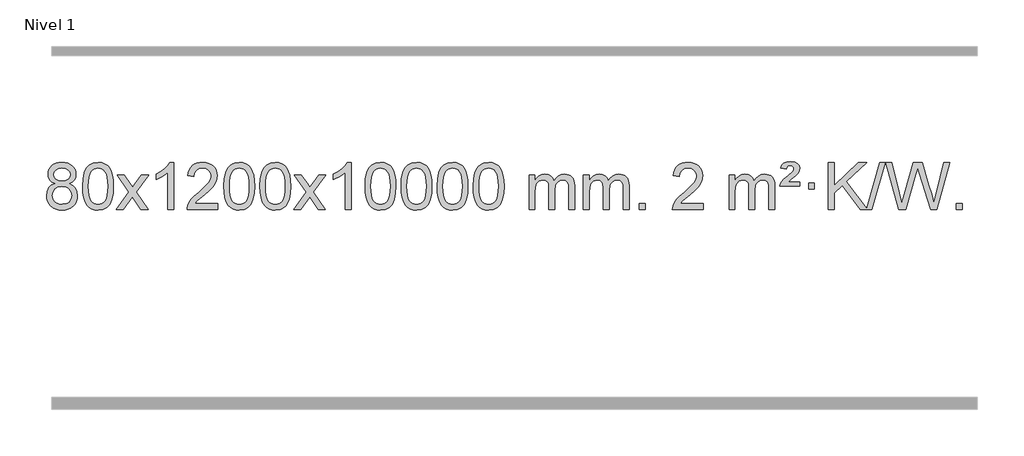
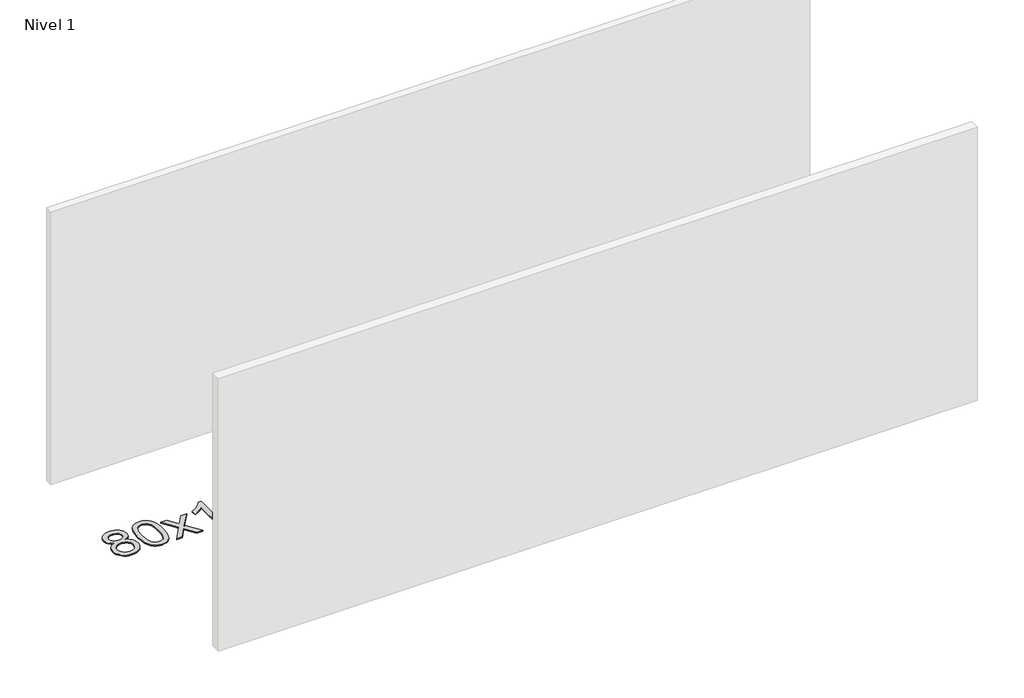
# One storey, part 5 of 5: 1 proxy.
"""IFC4 building model written with IfcOpenShell, lengths in millimetres."""

from ifc_helpers import new_model, si_unit, origin, origin_with_axes, place, context, project, spatial, polyline, outline, extrude, element, save

model = new_model("IFC4")

# Units and contexts
model_context = context("Model", 3, world=origin())
ifc_project = project(units=[si_unit("LENGTHUNIT", "METRE", prefix="MILLI")], contexts=[model_context])

# Site, building, storey
site = spatial("IfcSite", under=ifc_project)
building = spatial("IfcBuilding", under=site)
storey = spatial("IfcBuildingStorey", under=building, Name="Nivel 1", Elevation=0.0)

# Proxy
placement = place(None, origin())
element("IfcBuildingElementProxy", 1, Name="Texto de modelo 1", ObjectType="Texto de modelo 1", at=placement, inside=storey, context=model_context, shape_type="SweptSolid", body=[
    extrude(outline(polyline([(-204.5042266, 2829.7383553), (-231.3964004, 2842.9821071), (-250.2687468, 2860.9347485), (-261.4155712, 2883.2283974), (-265.1311794, 2909.4951719), (-263.1078284, 2929.9800676), (-257.0377755, 2948.7604435), (-246.9210206, 2965.8362994), (-232.7575638, 2981.2076355), (-215.2279867, 2993.911827), (-195.0128711, 3002.9862496), (-172.1122169, 3008.4309031), (-146.5260241, 3010.2457876), (-120.817204, 3008.3879835), (-97.7448716, 3002.8145713), (-77.3090268, 2993.5255509), (-59.5096696, 2980.5209224), (-45.0886953, 2964.8491494), (-34.7879995, 2947.5586956), (-28.607582, 2928.6495611), (-26.5474428, 2908.1217457), (-30.214, 2882.7010999), (-41.2136717, 2860.7875957), (-59.6690851, 2842.9453189), (-85.7028676, 2829.7383553), (-54.7885173, 2813.8090649), (-32.2864019, 2790.3504564), (-18.5644035, 2760.4907011), (-13.990404, 2725.3579705), (-16.2590097, 2700.3052067), (-23.0648266, 2677.3371074), (-34.4078547, 2656.4536728), (-50.2880942, 2637.6549029), (-69.8716791, 2622.11802), (-92.3247435, 2611.0202464), (-117.6472875, 2604.3615823), (-145.8393111, 2602.1420276), (-174.0313347, 2604.3707794), (-199.3538787, 2611.0570346), (-221.8069431, 2622.2007934), (-241.390528, 2637.8020557), (-257.2707674, 2656.73265), (-268.6137956, 2677.864405), (-275.4196125, 2701.1973205), (-277.6882182, 2726.7313967), (-272.9302777, 2763.2252906), (-258.6564563, 2793.2444614), (-235.6025179, 2815.7588395), (-204.5042266, 2829.7383553)]), holes=[polyline([(-214.9030243, 2908.0236439), (-210.4516522, 2886.097877), (-197.0975357, 2868.586694), (-175.2330825, 2857.1087757), (-145.2506999, 2853.282803), (-115.9672931, 2857.0842503), (-94.4339336, 2868.4885921), (-81.1901818, 2885.4111639), (-76.7755979, 2905.767301), (-81.3373346, 2926.8959902), (-95.0225448, 2944.370385), (-116.8502099, 2956.1058206), (-145.8393111, 2960.0176325), (-175.0123533, 2956.1916598), (-196.8032302, 2944.7137415), (-210.3780758, 2927.8892716), (-214.9030243, 2908.0236439)]), polyline([(-227.4600631, 2728.4972302), (-225.3631357, 2709.2815274), (-219.0723536, 2690.6789611), (-207.4595453, 2674.4553651), (-189.3965393, 2662.376573), (-167.765078, 2654.8717803), (-145.4469036, 2652.3701827), (-111.2584035, 2657.6308952), (-97.3647269, 2664.2067859), (-85.6047657, 2673.4130328), (-69.5651108, 2697.3130998), (-64.2185591, 2726.9276004), (-69.736789, 2757.0448731), (-86.2914788, 2781.4722375), (-98.370271, 2790.9145421), (-112.5337278, 2797.6590453), (-147.1146353, 2803.0546479), (-180.8248888, 2797.7326217), (-194.5622157, 2791.080089), (-206.2210092, 2781.7665431), (-222.1502996, 2757.8051625), (-227.4600631, 2728.4972302)])]), origin_with_axes(), (0.0, 0.0, 1.0), 10.0),
    extrude(outline(polyline([(29.9592317, 2806.0958057), (33.6503144, 2870.4138412), (44.7235624, 2921.7088541), (63.0686112, 2960.7656593), (74.9266742, 2975.9990395), (88.5750962, 2988.3690716), (104.0598626, 2997.9401349), (121.4269584, 3004.7766086), (161.8081387, 3010.2457876), (192.7592773, 3007.008426), (220.4730542, 2997.2963414), (243.6496199, 2981.4896783), (260.9891246, 2959.9685816), (274.0857237, 2932.9169922), (284.5335723, 2900.5188512), (291.3761774, 2859.3773814), (293.6570458, 2806.0958057), (290.0027513, 2742.1456523), (279.0398679, 2690.9732667), (260.8051836, 2651.8796734), (248.9747118, 2636.6003078), (235.3354868, 2624.1658964), (219.8323264, 2614.5304538), (202.4100483, 2607.6479948), (161.8081387, 2602.1420276), (134.1434127, 2604.5332606), (109.6179464, 2611.7069595), (88.2317397, 2623.6631243), (69.9847927, 2640.4017551), (52.4736098, 2670.6600492), (39.9656219, 2708.3618224), (32.4608292, 2753.5070745), (29.9592317, 2806.0958057)]), holes=[polyline([(80.1873867, 2806.1939076), (81.6589147, 2762.5293805), (86.0734987, 2727.1851178), (93.4311386, 2700.1611196), (103.7318344, 2681.4573858), (116.1907713, 2668.7317344), (130.0231344, 2659.6419835), (145.2289235, 2654.1881329), (161.8081387, 2652.3701827), (178.387354, 2654.1942643), (193.5931431, 2659.6665089), (207.4255061, 2668.7869167), (219.8844431, 2681.5554876), (230.1851389, 2700.2898783), (237.5427788, 2727.3077451), (241.9573628, 2762.6090882), (243.4288907, 2806.1939076), (242.0064137, 2848.7026722), (237.7389826, 2883.4246011), (230.6265973, 2910.3596945), (220.669258, 2929.5079524), (208.4187875, 2942.8559375), (194.427009, 2952.3902125), (178.6939223, 2958.1107775), (161.2195276, 2960.0176325), (144.7261514, 2958.3376381), (129.7778797, 2953.2976548), (116.3747123, 2944.8976825), (104.5166494, 2933.1377214), (93.872597, 2912.291075), (86.2697024, 2884.1848906), (81.7079657, 2848.8191681), (80.1873867, 2806.1939076)])]), origin_with_axes(), (0.0, 0.0, 1.0), 10.0),
    extrude(outline(polyline([(318.7711234, 2608.420547), (426.0945641, 2756.7505675), (325.0496427, 2903.5109581), (385.4803918, 2903.5109581), (434.2370189, 2832.877615), (456.9966517, 2799.5229808), (476.7151266, 2826.7952993), (532.2407824, 2903.5109581), (592.6715315, 2903.5109581), (486.5253132, 2756.7505675), (588.7474569, 2608.420547), (528.3167078, 2608.420547), (466.8068382, 2697.5951426), (455.5251237, 2713.8800523), (379.2018724, 2608.420547), (318.7711234, 2608.420547)])), origin_with_axes(), (0.0, 0.0, 1.0), 10.0),
    extrude(outline(polyline([(808.4956353, 2608.420547), (758.2674803, 2608.420547), (758.2674803, 2921.5617013), (737.2982065, 2904.6023413), (710.6880755, 2887.6675068), (657.8111701, 2862.3081746), (657.8111701, 2909.7894775), (697.2603827, 2931.2492605), (731.4366201, 2956.780271), (758.3778449, 2983.9299622), (776.1220198, 3010.2457876), (808.4956353, 3010.2457876), (808.4956353, 2608.420547)])), origin_with_axes(), (0.0, 0.0, 1.0), 10.0),
    extrude(outline(polyline([(1185.2067984, 2658.6487021), (1185.2067984, 2608.420547), (921.5089843, 2608.420547), (922.6126302, 2626.1034082), (926.9045868, 2643.0505055), (939.2899474, 2670.1143576), (957.414267, 2696.3688693), (983.6319905, 2723.8496544), (1020.2975627, 2754.5923264), (1074.4988433, 2802.7358169), (1107.0196117, 2838.2732176), (1123.2799959, 2867.115166), (1128.7001239, 2895.1722995), (1123.5865642, 2920.3231653), (1108.245885, 2941.2311253), (1084.6646491, 2955.3210057), (1054.8294193, 2960.0176325), (1023.498136, 2955.4313703), (999.1566107, 2941.6725837), (983.4480495, 2919.8203932), (978.0156587, 2890.9539193), (927.7875036, 2897.2324387), (932.1070514, 2923.161988), (939.9643977, 2945.8173875), (951.3595425, 2965.1986373), (966.2924858, 2981.3057373), (984.4198711, 2993.9670093), (1005.3983419, 3003.010775), (1029.2278981, 3008.4370345), (1055.9085398, 3010.2457876), (1082.8283048, 3008.2346994), (1106.7866198, 3002.2014346), (1127.7834846, 2992.1459934), (1145.8188994, 2978.0683758), (1160.304253, 2961.0109139), (1170.6509341, 2942.0159402), (1176.8589428, 2921.0834547), (1178.928279, 2898.2134573), (1176.6964616, 2874.1907631), (1170.0010093, 2850.5850017), (1158.1184208, 2826.5745701), (1140.325195, 2801.3378653), (1111.9614932, 2771.2083299), (1068.3674767, 2732.5194067), (1010.585478, 2684.204238), (987.9239471, 2658.6487021), (1185.2067984, 2658.6487021)])), origin_with_axes(), (0.0, 0.0, 1.0), 10.0),
    extrude(outline(polyline([(1235.4349535, 2806.0958057), (1239.1260362, 2870.4138412), (1250.1992842, 2921.7088541), (1268.544333, 2960.7656593), (1280.402396, 2975.9990395), (1294.050818, 2988.3690716), (1309.5355843, 2997.9401349), (1326.9026802, 3004.7766086), (1367.2838605, 3010.2457876), (1398.2349991, 3007.008426), (1425.948776, 2997.2963414), (1449.1253417, 2981.4896783), (1466.4648464, 2959.9685816), (1479.5614455, 2932.9169922), (1490.0092941, 2900.5188512), (1496.8518992, 2859.3773814), (1499.1327676, 2806.0958057), (1495.4784731, 2742.1456523), (1484.5155897, 2690.9732667), (1466.2809054, 2651.8796734), (1454.4504336, 2636.6003078), (1440.8112086, 2624.1658964), (1425.3080482, 2614.5304538), (1407.8857701, 2607.6479948), (1367.2838605, 2602.1420276), (1339.6191345, 2604.5332606), (1315.0936682, 2611.7069595), (1293.7074615, 2623.6631243), (1275.4605145, 2640.4017551), (1257.9493316, 2670.6600492), (1245.4413437, 2708.3618224), (1237.936551, 2753.5070745), (1235.4349535, 2806.0958057)]), holes=[polyline([(1285.6631085, 2806.1939076), (1287.1346365, 2762.5293805), (1291.5492205, 2727.1851178), (1298.9068604, 2700.1611196), (1309.2075562, 2681.4573858), (1321.6664931, 2668.7317344), (1335.4988562, 2659.6419835), (1350.7046453, 2654.1881329), (1367.2838605, 2652.3701827), (1383.8630758, 2654.1942643), (1399.0688649, 2659.6665089), (1412.9012279, 2668.7869167), (1425.3601648, 2681.5554876), (1435.6608607, 2700.2898783), (1443.0185006, 2727.3077451), (1447.4330846, 2762.6090882), (1448.9046125, 2806.1939076), (1447.4821355, 2848.7026722), (1443.2147043, 2883.4246011), (1436.1023191, 2910.3596945), (1426.1449798, 2929.5079524), (1413.8945093, 2942.8559375), (1399.9027308, 2952.3902125), (1384.1696441, 2958.1107775), (1366.6952493, 2960.0176325), (1350.2018732, 2958.3376381), (1335.2536015, 2953.2976548), (1321.8504341, 2944.8976825), (1309.9923712, 2933.1377214), (1299.3483188, 2912.291075), (1291.7454242, 2884.1848906), (1287.1836875, 2848.8191681), (1285.6631085, 2806.1939076)])]), origin_with_axes(), (0.0, 0.0, 1.0), 10.0),
    extrude(outline(polyline([(1543.0824033, 2806.0958057), (1546.773486, 2870.4138412), (1557.846734, 2921.7088541), (1576.1917829, 2960.7656593), (1588.0498458, 2975.9990395), (1601.6982679, 2988.3690716), (1617.1830342, 2997.9401349), (1634.55013, 3004.7766086), (1674.9313104, 3010.2457876), (1705.8824489, 3007.008426), (1733.5962259, 2997.2963414), (1756.7727916, 2981.4896783), (1774.1122963, 2959.9685816), (1787.2088953, 2932.9169922), (1797.656744, 2900.5188512), (1804.4993491, 2859.3773814), (1806.7802174, 2806.0958057), (1803.125923, 2742.1456523), (1792.1630395, 2690.9732667), (1773.9283553, 2651.8796734), (1762.0978834, 2636.6003078), (1748.4586585, 2624.1658964), (1732.9554981, 2614.5304538), (1715.5332199, 2607.6479948), (1674.9313104, 2602.1420276), (1647.2665843, 2604.5332606), (1622.741118, 2611.7069595), (1601.3549113, 2623.6631243), (1583.1079644, 2640.4017551), (1565.5967814, 2670.6600492), (1553.0887936, 2708.3618224), (1545.5840009, 2753.5070745), (1543.0824033, 2806.0958057)]), holes=[polyline([(1593.3105584, 2806.1939076), (1594.7820864, 2762.5293805), (1599.1966703, 2727.1851178), (1606.5543102, 2700.1611196), (1616.8550061, 2681.4573858), (1629.313943, 2668.7317344), (1643.146306, 2659.6419835), (1658.3520951, 2654.1881329), (1674.9313104, 2652.3701827), (1691.5105256, 2654.1942643), (1706.7163148, 2659.6665089), (1720.5486778, 2668.7869167), (1733.0076147, 2681.5554876), (1743.3083105, 2700.2898783), (1750.6659504, 2727.3077451), (1755.0805344, 2762.6090882), (1756.5520624, 2806.1939076), (1755.1295853, 2848.7026722), (1750.8621542, 2883.4246011), (1743.7497689, 2910.3596945), (1733.7924296, 2929.5079524), (1721.5419592, 2942.8559375), (1707.5501806, 2952.3902125), (1691.817094, 2958.1107775), (1674.3426992, 2960.0176325), (1657.8493231, 2958.3376381), (1642.9010513, 2953.2976548), (1629.497884, 2944.8976825), (1617.639821, 2933.1377214), (1606.9957686, 2912.291075), (1599.392874, 2884.1848906), (1594.8311373, 2848.8191681), (1593.3105584, 2806.1939076)])]), origin_with_axes(), (0.0, 0.0, 1.0), 10.0),
    extrude(outline(polyline([(1831.894295, 2608.420547), (1939.2177357, 2756.7505675), (1838.1728144, 2903.5109581), (1898.6035634, 2903.5109581), (1947.3601905, 2832.877615), (1970.1198233, 2799.5229808), (1989.8382982, 2826.7952993), (2045.3639541, 2903.5109581), (2105.7947031, 2903.5109581), (1999.6484848, 2756.7505675), (2101.8706285, 2608.420547), (2041.4398794, 2608.420547), (1979.9300098, 2697.5951426), (1968.6482953, 2713.8800523), (1892.3250441, 2608.420547), (1831.894295, 2608.420547)])), origin_with_axes(), (0.0, 0.0, 1.0), 10.0),
    extrude(outline(polyline([(2321.618807, 2608.420547), (2271.3906519, 2608.420547), (2271.3906519, 2921.5617013), (2250.4213782, 2904.6023413), (2223.8112472, 2887.6675068), (2170.9343417, 2862.3081746), (2170.9343417, 2909.7894775), (2210.3835544, 2931.2492605), (2244.5597917, 2956.780271), (2271.5010165, 2983.9299622), (2289.2451914, 3010.2457876), (2321.618807, 3010.2457876), (2321.618807, 2608.420547)])), origin_with_axes(), (0.0, 0.0, 1.0), 10.0),
    extrude(outline(polyline([(2440.9106753, 2806.0958057), (2444.601758, 2870.4138412), (2455.675006, 2921.7088541), (2474.0200548, 2960.7656593), (2485.8781178, 2975.9990395), (2499.5265398, 2988.3690716), (2515.0113061, 2997.9401349), (2532.378402, 3004.7766086), (2572.7595823, 3010.2457876), (2603.7107209, 3007.008426), (2631.4244978, 2997.2963414), (2654.6010635, 2981.4896783), (2671.9405682, 2959.9685816), (2685.0371673, 2932.9169922), (2695.4850159, 2900.5188512), (2702.327621, 2859.3773814), (2704.6084894, 2806.0958057), (2700.9541949, 2742.1456523), (2689.9913115, 2690.9732667), (2671.7566272, 2651.8796734), (2659.9261554, 2636.6003078), (2646.2869304, 2624.1658964), (2630.78377, 2614.5304538), (2613.3614919, 2607.6479948), (2572.7595823, 2602.1420276), (2545.0948563, 2604.5332606), (2520.56939, 2611.7069595), (2499.1831833, 2623.6631243), (2480.9362363, 2640.4017551), (2463.4250534, 2670.6600492), (2450.9170655, 2708.3618224), (2443.4122728, 2753.5070745), (2440.9106753, 2806.0958057)]), holes=[polyline([(2491.1388303, 2806.1939076), (2492.6103583, 2762.5293805), (2497.0249423, 2727.1851178), (2504.3825822, 2700.1611196), (2514.683278, 2681.4573858), (2527.1422149, 2668.7317344), (2540.974578, 2659.6419835), (2556.1803671, 2654.1881329), (2572.7595823, 2652.3701827), (2589.3387976, 2654.1942643), (2604.5445867, 2659.6665089), (2618.3769497, 2668.7869167), (2630.8358866, 2681.5554876), (2641.1365825, 2700.2898783), (2648.4942224, 2727.3077451), (2652.9088064, 2762.6090882), (2654.3803343, 2806.1939076), (2652.9578573, 2848.7026722), (2648.6904261, 2883.4246011), (2641.5780409, 2910.3596945), (2631.6207016, 2929.5079524), (2619.3702311, 2942.8559375), (2605.3784526, 2952.3902125), (2589.6453659, 2958.1107775), (2572.1709711, 2960.0176325), (2555.677595, 2958.3376381), (2540.7293233, 2953.2976548), (2527.3261559, 2944.8976825), (2515.468093, 2933.1377214), (2504.8240406, 2912.291075), (2497.221146, 2884.1848906), (2492.6594093, 2848.8191681), (2491.1388303, 2806.1939076)])]), origin_with_axes(), (0.0, 0.0, 1.0), 10.0),
    extrude(outline(polyline([(2748.5581251, 2806.0958057), (2752.2492078, 2870.4138412), (2763.3224558, 2921.7088541), (2781.6675047, 2960.7656593), (2793.5255676, 2975.9990395), (2807.1739897, 2988.3690716), (2822.658756, 2997.9401349), (2840.0258518, 3004.7766086), (2880.4070322, 3010.2457876), (2911.3581707, 3007.008426), (2939.0719477, 2997.2963414), (2962.2485134, 2981.4896783), (2979.5880181, 2959.9685816), (2992.6846171, 2932.9169922), (3003.1324658, 2900.5188512), (3009.9750709, 2859.3773814), (3012.2559392, 2806.0958057), (3008.6016448, 2742.1456523), (2997.6387613, 2690.9732667), (2979.4040771, 2651.8796734), (2967.5736052, 2636.6003078), (2953.9343803, 2624.1658964), (2938.4312199, 2614.5304538), (2921.0089417, 2607.6479948), (2880.4070322, 2602.1420276), (2852.7423061, 2604.5332606), (2828.2168398, 2611.7069595), (2806.8306331, 2623.6631243), (2788.5836862, 2640.4017551), (2771.0725032, 2670.6600492), (2758.5645154, 2708.3618224), (2751.0597227, 2753.5070745), (2748.5581251, 2806.0958057)]), holes=[polyline([(2798.7862802, 2806.1939076), (2800.2578082, 2762.5293805), (2804.6723921, 2727.1851178), (2812.030032, 2700.1611196), (2822.3307279, 2681.4573858), (2834.7896648, 2668.7317344), (2848.6220278, 2659.6419835), (2863.8278169, 2654.1881329), (2880.4070322, 2652.3701827), (2896.9862474, 2654.1942643), (2912.1920366, 2659.6665089), (2926.0243996, 2668.7869167), (2938.4833365, 2681.5554876), (2948.7840323, 2700.2898783), (2956.1416722, 2727.3077451), (2960.5562562, 2762.6090882), (2962.0277842, 2806.1939076), (2960.6053071, 2848.7026722), (2956.337876, 2883.4246011), (2949.2254907, 2910.3596945), (2939.2681514, 2929.5079524), (2927.017681, 2942.8559375), (2913.0259024, 2952.3902125), (2897.2928157, 2958.1107775), (2879.818421, 2960.0176325), (2863.3250449, 2958.3376381), (2848.3767731, 2953.2976548), (2834.9736058, 2944.8976825), (2823.1155428, 2933.1377214), (2812.4714904, 2912.291075), (2804.8685958, 2884.1848906), (2800.3068591, 2848.8191681), (2798.7862802, 2806.1939076)])]), origin_with_axes(), (0.0, 0.0, 1.0), 10.0),
    extrude(outline(polyline([(3056.2055749, 2806.0958057), (3059.8966576, 2870.4138412), (3070.9699057, 2921.7088541), (3089.3149545, 2960.7656593), (3101.1730175, 2975.9990395), (3114.8214395, 2988.3690716), (3130.3062058, 2997.9401349), (3147.6733017, 3004.7766086), (3188.054482, 3010.2457876), (3219.0056205, 3007.008426), (3246.7193975, 2997.2963414), (3269.8959632, 2981.4896783), (3287.2354679, 2959.9685816), (3300.3320669, 2932.9169922), (3310.7799156, 2900.5188512), (3317.6225207, 2859.3773814), (3319.9033891, 2806.0958057), (3316.2490946, 2742.1456523), (3305.2862111, 2690.9732667), (3287.0515269, 2651.8796734), (3275.2210551, 2636.6003078), (3261.5818301, 2624.1658964), (3246.0786697, 2614.5304538), (3228.6563915, 2607.6479948), (3188.054482, 2602.1420276), (3160.389756, 2604.5332606), (3135.8642896, 2611.7069595), (3114.478083, 2623.6631243), (3096.231136, 2640.4017551), (3078.719953, 2670.6600492), (3066.2119652, 2708.3618224), (3058.7071725, 2753.5070745), (3056.2055749, 2806.0958057)]), holes=[polyline([(3106.43373, 2806.1939076), (3107.905258, 2762.5293805), (3112.3198419, 2727.1851178), (3119.6774818, 2700.1611196), (3129.9781777, 2681.4573858), (3142.4371146, 2668.7317344), (3156.2694776, 2659.6419835), (3171.4752668, 2654.1881329), (3188.054482, 2652.3701827), (3204.6336973, 2654.1942643), (3219.8394864, 2659.6665089), (3233.6718494, 2668.7869167), (3246.1307863, 2681.5554876), (3256.4314822, 2700.2898783), (3263.7891221, 2727.3077451), (3268.203706, 2762.6090882), (3269.675234, 2806.1939076), (3268.252757, 2848.7026722), (3263.9853258, 2883.4246011), (3256.8729406, 2910.3596945), (3246.9156012, 2929.5079524), (3234.6651308, 2942.8559375), (3220.6733522, 2952.3902125), (3204.9402656, 2958.1107775), (3187.4658708, 2960.0176325), (3170.9724947, 2958.3376381), (3156.024223, 2953.2976548), (3142.6210556, 2944.8976825), (3130.7629926, 2933.1377214), (3120.1189402, 2912.291075), (3112.5160457, 2884.1848906), (3107.9543089, 2848.8191681), (3106.43373, 2806.1939076)])]), origin_with_axes(), (0.0, 0.0, 1.0), 10.0),
    extrude(outline(polyline([(3363.8530248, 2806.0958057), (3367.5441074, 2870.4138412), (3378.6173555, 2921.7088541), (3396.9624043, 2960.7656593), (3408.8204673, 2975.9990395), (3422.4688893, 2988.3690716), (3437.9536556, 2997.9401349), (3455.3207515, 3004.7766086), (3495.7019318, 3010.2457876), (3526.6530704, 3007.008426), (3554.3668473, 2997.2963414), (3577.543413, 2981.4896783), (3594.8829177, 2959.9685816), (3607.9795168, 2932.9169922), (3618.4273654, 2900.5188512), (3625.2699705, 2859.3773814), (3627.5508389, 2806.0958057), (3623.8965444, 2742.1456523), (3612.933661, 2690.9732667), (3594.6989767, 2651.8796734), (3582.8685049, 2636.6003078), (3569.2292799, 2624.1658964), (3553.7261195, 2614.5304538), (3536.3038414, 2607.6479948), (3495.7019318, 2602.1420276), (3468.0372058, 2604.5332606), (3443.5117395, 2611.7069595), (3422.1255328, 2623.6631243), (3403.8785858, 2640.4017551), (3386.3674029, 2670.6600492), (3373.859415, 2708.3618224), (3366.3546223, 2753.5070745), (3363.8530248, 2806.0958057)]), holes=[polyline([(3414.0811798, 2806.1939076), (3415.5527078, 2762.5293805), (3419.9672918, 2727.1851178), (3427.3249317, 2700.1611196), (3437.6256275, 2681.4573858), (3450.0845644, 2668.7317344), (3463.9169275, 2659.6419835), (3479.1227166, 2654.1881329), (3495.7019318, 2652.3701827), (3512.2811471, 2654.1942643), (3527.4869362, 2659.6665089), (3541.3192992, 2668.7869167), (3553.7782361, 2681.5554876), (3564.078932, 2700.2898783), (3571.4365719, 2727.3077451), (3575.8511559, 2762.6090882), (3577.3226838, 2806.1939076), (3575.9002068, 2848.7026722), (3571.6327756, 2883.4246011), (3564.5203904, 2910.3596945), (3554.5630511, 2929.5079524), (3542.3125806, 2942.8559375), (3528.3208021, 2952.3902125), (3512.5877154, 2958.1107775), (3495.1133206, 2960.0176325), (3478.6199445, 2958.3376381), (3463.6716728, 2953.2976548), (3450.2685054, 2944.8976825), (3438.4104425, 2933.1377214), (3427.7663901, 2912.291075), (3420.1634955, 2884.1848906), (3415.6017588, 2848.8191681), (3414.0811798, 2806.1939076)])]), origin_with_axes(), (0.0, 0.0, 1.0), 10.0),
    extrude(outline(polyline([(3841.020498, 2608.420547), (3841.020498, 2903.5109581), (3891.2486531, 2903.5109581), (3891.2486531, 2854.9505347), (3906.3563403, 2877.2564463), (3925.7805097, 2894.7308411), (3948.8589735, 2906.0248184), (3974.9295442, 2909.7894775), (4002.8640504, 2905.951242), (4025.2558012, 2894.4365355), (4041.9821692, 2876.0056476), (4052.9205272, 2851.4188676), (4071.2287878, 2876.9560094), (4092.1122224, 2895.196825), (4115.570831, 2906.1413143), (4141.6046135, 2909.7894775), (4161.7124302, 2908.2719642), (4179.3615689, 2903.7194245), (4194.5520297, 2896.1318584), (4207.2838124, 2885.5092658), (4217.3484506, 2871.7290194), (4224.5374779, 2854.6684918), (4228.8508943, 2834.3276832), (4230.2886998, 2810.7065934), (4230.2886998, 2608.420547), (4180.0605447, 2608.420547), (4180.0605447, 2789.124183), (4178.8955851, 2814.1769469), (4175.4007061, 2831.0627305), (4168.8524066, 2842.6264879), (4158.5271853, 2851.7131732), (4145.2466453, 2857.5992851), (4129.8323897, 2859.5613224), (4102.6213847, 2854.5336018), (4080.4381004, 2839.45044), (4071.8327274, 2827.8805512), (4065.6860324, 2813.2817674), (4060.7686764, 2774.9975144), (4060.7686764, 2608.420547), (4010.5405214, 2608.420547), (4010.5405214, 2794.7159894), (4007.6342536, 2823.1164794), (3998.9154503, 2843.3745146), (3983.5747711, 2855.5146204), (3960.8028756, 2859.5613224), (3941.4522827, 2856.8635211), (3923.6222686, 2848.7701172), (3908.9069888, 2835.4773144), (3898.9005985, 2817.1813165), (3893.1616394, 2791.7974589), (3891.2486531, 2757.2410768), (3891.2486531, 2608.420547), (3841.020498, 2608.420547)])), origin_with_axes(), (0.0, 0.0, 1.0), 10.0),
    extrude(outline(polyline([(4305.6309324, 2608.420547), (4305.6309324, 2903.5109581), (4355.8590875, 2903.5109581), (4355.8590875, 2854.9505347), (4370.9667748, 2877.2564463), (4390.3909441, 2894.7308411), (4413.4694079, 2906.0248184), (4439.5399787, 2909.7894775), (4467.4744848, 2905.951242), (4489.8662356, 2894.4365355), (4506.5926036, 2876.0056476), (4517.5309616, 2851.4188676), (4535.8392223, 2876.9560094), (4556.7226569, 2895.196825), (4580.1812654, 2906.1413143), (4606.2150479, 2909.7894775), (4626.3228647, 2908.2719642), (4643.9720034, 2903.7194245), (4659.1624641, 2896.1318584), (4671.8942468, 2885.5092658), (4681.9588851, 2871.7290194), (4689.1479124, 2854.6684918), (4693.4613288, 2834.3276832), (4694.8991342, 2810.7065934), (4694.8991342, 2608.420547), (4644.6709792, 2608.420547), (4644.6709792, 2789.124183), (4643.5060195, 2814.1769469), (4640.0111406, 2831.0627305), (4633.4628411, 2842.6264879), (4623.1376197, 2851.7131732), (4609.8570797, 2857.5992851), (4594.4428241, 2859.5613224), (4567.2318192, 2854.5336018), (4545.0485349, 2839.45044), (4536.4431619, 2827.8805512), (4530.2964669, 2813.2817674), (4525.3791109, 2774.9975144), (4525.3791109, 2608.420547), (4475.1509558, 2608.420547), (4475.1509558, 2794.7159894), (4472.244688, 2823.1164794), (4463.5258847, 2843.3745146), (4448.1852055, 2855.5146204), (4425.41331, 2859.5613224), (4406.0627171, 2856.8635211), (4388.2327031, 2848.7701172), (4373.5174233, 2835.4773144), (4363.511033, 2817.1813165), (4357.7720739, 2791.7974589), (4355.8590875, 2757.2410768), (4355.8590875, 2608.420547), (4305.6309324, 2608.420547)])), origin_with_axes(), (0.0, 0.0, 1.0), 10.0),
    extrude(outline(polyline([(4782.7984056, 2608.420547), (4782.7984056, 2658.6487021), (4833.0265607, 2658.6487021), (4833.0265607, 2608.420547), (4782.7984056, 2608.420547)])), origin_with_axes(), (0.0, 0.0, 1.0), 10.0),
    extrude(outline(polyline([(5329.0295921, 2658.6487021), (5329.0295921, 2608.420547), (5065.3317779, 2608.420547), (5066.4354239, 2626.1034082), (5070.7273805, 2643.0505055), (5083.112741, 2670.1143576), (5101.2370607, 2696.3688693), (5127.4547842, 2723.8496544), (5164.1203564, 2754.5923264), (5218.321637, 2802.7358169), (5250.8424054, 2838.2732176), (5267.1027895, 2867.115166), (5272.5229176, 2895.1722995), (5267.4093579, 2920.3231653), (5252.0686787, 2941.2311253), (5228.4874428, 2955.3210057), (5198.652213, 2960.0176325), (5167.3209297, 2955.4313703), (5142.9794044, 2941.6725837), (5127.2708432, 2919.8203932), (5121.8384524, 2890.9539193), (5071.6102973, 2897.2324387), (5075.9298451, 2923.161988), (5083.7871913, 2945.8173875), (5095.1823361, 2965.1986373), (5110.1152795, 2981.3057373), (5128.2426648, 2993.9670093), (5149.2211356, 3003.010775), (5173.0506918, 3008.4370345), (5199.7313335, 3010.2457876), (5226.6510985, 3008.2346994), (5250.6094134, 3002.2014346), (5271.6062783, 2992.1459934), (5289.6416931, 2978.0683758), (5304.1270467, 2961.0109139), (5314.4737278, 2942.0159402), (5320.6817365, 2921.0834547), (5322.7510727, 2898.2134573), (5320.5192552, 2874.1907631), (5313.8238029, 2850.5850017), (5301.9412145, 2826.5745701), (5284.1479887, 2801.3378653), (5255.7842868, 2771.2083299), (5212.1902704, 2732.5194067), (5154.4082717, 2684.204238), (5131.7467408, 2658.6487021), (5329.0295921, 2658.6487021)])), origin_with_axes(), (0.0, 0.0, 1.0), 10.0),
    extrude(outline(polyline([(5548.7777705, 2608.420547), (5548.7777705, 2903.5109581), (5599.0059256, 2903.5109581), (5599.0059256, 2854.9505347), (5614.1136129, 2877.2564463), (5633.5377822, 2894.7308411), (5656.616246, 2906.0248184), (5682.6868168, 2909.7894775), (5710.6213229, 2905.951242), (5733.0130737, 2894.4365355), (5749.7394418, 2876.0056476), (5760.6777997, 2851.4188676), (5778.9860604, 2876.9560094), (5799.869495, 2895.196825), (5823.3281035, 2906.1413143), (5849.361886, 2909.7894775), (5869.4697028, 2908.2719642), (5887.1188415, 2903.7194245), (5902.3093022, 2896.1318584), (5915.0410849, 2885.5092658), (5925.1057232, 2871.7290194), (5932.2947505, 2854.6684918), (5936.6081669, 2834.3276832), (5938.0459723, 2810.7065934), (5938.0459723, 2608.420547), (5887.8178173, 2608.420547), (5887.8178173, 2789.124183), (5886.6528576, 2814.1769469), (5883.1579787, 2831.0627305), (5876.6096792, 2842.6264879), (5866.2844578, 2851.7131732), (5853.0039178, 2857.5992851), (5837.5896622, 2859.5613224), (5810.3786573, 2854.5336018), (5788.195373, 2839.45044), (5779.59, 2827.8805512), (5773.443305, 2813.2817674), (5768.525949, 2774.9975144), (5768.525949, 2608.420547), (5718.2977939, 2608.420547), (5718.2977939, 2794.7159894), (5715.3915261, 2823.1164794), (5706.6727228, 2843.3745146), (5691.3320436, 2855.5146204), (5668.5601481, 2859.5613224), (5649.2095552, 2856.8635211), (5631.3795412, 2848.7701172), (5616.6642614, 2835.4773144), (5606.6578711, 2817.1813165), (5600.918912, 2791.7974589), (5599.0059256, 2757.2410768), (5599.0059256, 2608.420547), (5548.7777705, 2608.420547)])), origin_with_axes(), (0.0, 0.0, 1.0), 10.0),
    extrude(outline(polyline([(5981.995608, 2809.3331673), (5985.8215808, 2825.1520931), (5994.1602393, 2841.0200698), (6015.6690733, 2866.1586728), (6047.625756, 2893.8969753), (6091.7715954, 2931.273786), (6098.9085061, 2942.8007552), (6101.2874763, 2954.6220299), (6099.3990154, 2966.7130848), (6093.7336327, 2976.4987459), (6084.3649046, 2982.973469), (6071.3664074, 2985.1317101), (6058.931996, 2983.5130293), (6050.0783026, 2978.656987), (6043.6526304, 2969.1901569), (6038.5022825, 2953.7391131), (5988.2741274, 2960.0176325), (5999.1143835, 2985.2298119), (6015.7426497, 3002.7900458), (6039.5078266, 3013.0907417), (6071.7588149, 3016.524307), (6107.5414703, 3012.3917659), (6132.2876658, 2999.9941427), (6146.70864, 2981.6613566), (6151.5156314, 2959.7233269), (6147.4198785, 2936.8165414), (6135.1326199, 2915.1850801), (6114.6048046, 2895.3685032), (6078.1354361, 2867.3113697), (6052.5308492, 2840.7257642), (6151.5156314, 2840.7257642), (6151.5156314, 2809.3331673), (5981.995608, 2809.3331673)])), origin_with_axes(), (0.0, 0.0, 1.0), 10.0),
    extrude(outline(polyline([(6226.857864, 2784.2190898), (6226.857864, 2834.4472448), (6277.0860191, 2834.4472448), (6277.0860191, 2784.2190898), (6226.857864, 2784.2190898)])), origin_with_axes(), (0.0, 0.0, 1.0), 10.0),
    extrude(outline(polyline([(6667.727647, 2608.420547), (6514.2963296, 2811.0990009), (6446.6060425, 2746.5479735), (6446.6060425, 2608.420547), (6396.3778874, 2608.420547), (6396.3778874, 3010.2457876), (6446.6060425, 3010.2457876), (6446.6060425, 2813.5515475), (6652.6199598, 3010.2457876), (6722.8608954, 3010.2457876), (6549.9073067, 2845.0422463), (6724.5609166, 2614.4650668), (6835.8742443, 3010.2457876), (6881.1973061, 3010.2457876), (6768.1839572, 2608.420547), (6729.1394148, 2608.420547), (6722.8608954, 2608.420547), (6667.727647, 2608.420547)])), origin_with_axes(), (0.0, 0.0, 1.0), 10.0),
    extrude(outline(polyline([(6995.682183, 2608.420547), (6886.1023994, 3010.2457876), (6937.9001843, 3010.2457876), (7001.4701931, 2746.155566), (7021.0905661, 2664.6329159), (7042.0843653, 2736.7377869), (7121.74308, 3010.2457876), (7196.3985996, 3010.2457876), (7254.2787002, 2811.9819177), (7279.0739466, 2738.4055186), (7297.3454191, 2664.6329159), (7316.3771809, 2743.8011212), (7380.5358009, 3010.2457876), (7432.3335858, 3010.2457876), (7322.6557003, 2608.420547), (7268.99398, 2608.420547), (7172.6579482, 2918.4224416), (7159.2179926, 2961.6853642), (7144.1103053, 2909.5932737), (7056.3091358, 2608.420547), (6995.682183, 2608.420547)])), origin_with_axes(), (0.0, 0.0, 1.0), 10.0),
    extrude(outline(polyline([(7488.8402603, 2608.420547), (7488.8402603, 2658.6487021), (7539.0684154, 2658.6487021), (7539.0684154, 2608.420547), (7488.8402603, 2608.420547)])), origin_with_axes(), (0.0, 0.0, 1.0), 10.0),
])

save(model, "model.ifc")
